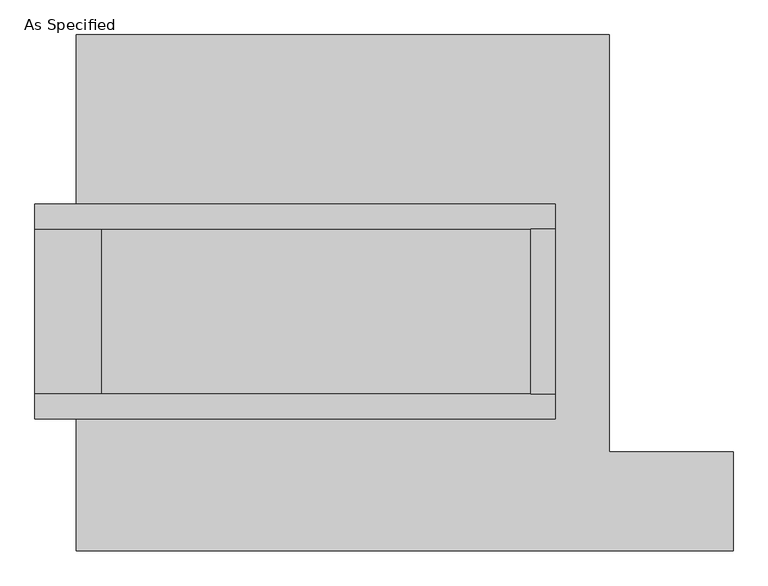
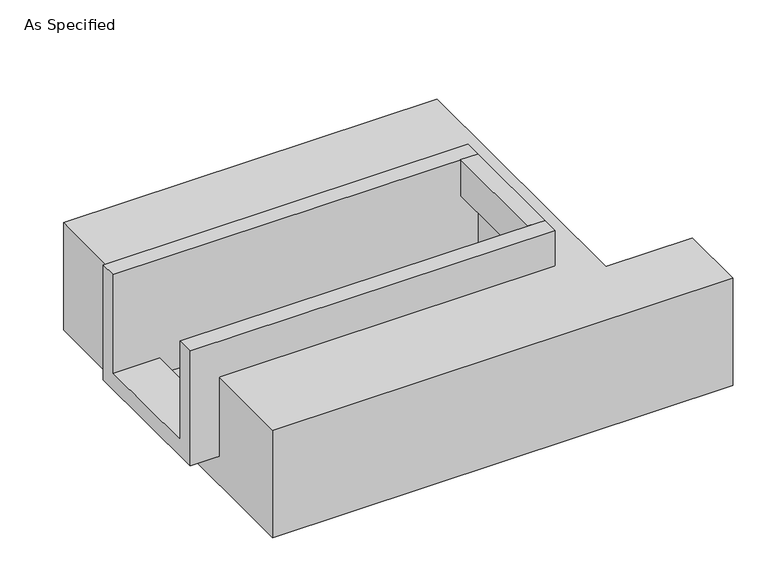
"""IFC4 building model written with IfcOpenShell, lengths in millimetres: proxy geometry, As Specified."""

from ifc_helpers import new_model, si_unit, frame, origin, place, context, project, spatial, polyline, outline, extrude, faceted_brep, source, transform, mapped, element, save


def as_specified_be154999(model_context):
    return source(origin(), model_context, "Body", "SolidModel", [
        extrude(outline(polyline([(577.85, 196.85), (654.05, 196.85), (654.05, -311.15), (577.85, -311.15), (577.85, 196.85)])), frame((0.0, 0.0, -25.4), z_axis=(0.0, 0.0, 1.0), x_axis=(1.0, 0.0, 0.0)), (0.0, 0.0, 1.0), 165.1),
        faceted_brep([(654.05, 196.85, 139.7), (654.05, 196.85, -317.5), (654.05, -311.15, -317.5), (654.05, -311.15, 139.7), (654.05, -387.35, 139.7), (654.05, -387.35, -393.7), (654.05, 273.05, -393.7), (654.05, 273.05, 139.7), (-946.15, 196.85, 139.7), (-946.15, 273.05, 139.7), (-946.15, 273.05, -393.7), (-946.15, -387.35, -393.7), (-946.15, -387.35, 139.7), (-946.15, -311.15, 139.7), (-946.15, -311.15, -317.5), (-946.15, 196.85, -317.5), (-742.95, 196.85, -393.7), (-742.95, -311.15, -393.7), (577.85, -311.15, -393.7), (577.85, 196.85, -393.7), (577.85, -311.15, -317.5), (-742.95, -311.15, -317.5), (577.85, 196.85, -317.5), (-742.95, 196.85, -317.5)], [[[0, 1, 2, 3, 4, 5, 6, 7]], [[8, 9, 10, 11, 12, 13, 14, 15]], [[0, 7, 9, 8]], [[7, 6, 10, 9]], [[6, 5, 11, 10], [16, 17, 18, 19]], [[4, 3, 13, 12]], [[3, 2, 20, 18, 17, 21, 14, 13]], [[2, 1, 22, 20]], [[15, 14, 21, 23]], [[1, 0, 8, 15, 23, 16, 19, 22]], [[21, 17, 16, 23]], [[18, 20, 22, 19]], [[5, 4, 12, 11]]]),
        faceted_brep([(-819.15, 793.75, -523.9742188), (819.15, 793.75, -523.9742188), (819.15, -488.95, -523.9742188), (1200.15, -488.95, -523.9742188), (1200.15, -793.75, -523.9742188), (-819.15, -793.75, -523.9742188), (819.15, 793.75, -25.4), (-819.15, 793.75, -25.4), (-819.15, 273.05, -25.4), (654.05, 273.05, -25.4), (654.05, -387.35, -25.4), (-819.15, -387.35, -25.4), (-819.15, -793.75, -25.4), (1200.15, -793.75, -25.4), (1200.15, -488.95, -25.4), (819.15, -488.95, -25.4), (-819.15, -387.35, -393.7), (-819.15, 273.05, -393.7), (654.05, 273.05, -393.7), (654.05, -387.35, -393.7)], [[[0, 1, 2, 3, 4, 5]], [[6, 7, 8, 9, 10, 11, 12, 13, 14, 15]], [[1, 0, 7, 6]], [[7, 0, 5, 12, 11, 16, 17, 8]], [[1, 6, 15, 2]], [[5, 4, 13, 12]], [[18, 19, 10, 9]], [[17, 18, 9, 8]], [[19, 18, 17, 16]], [[19, 16, 11, 10]], [[4, 3, 14, 13]], [[3, 2, 15, 14]]]),
    ])


if __name__ == "__main__":
    model = new_model("IFC4")
    model_context = context("Model", 3, world=origin())
    ifc_project = project(units=[si_unit("LENGTHUNIT", "METRE", prefix="MILLI")], contexts=[model_context])
    site = spatial("IfcSite", under=ifc_project)
    building = spatial("IfcBuilding", under=site)
    placement = place(None, origin())
    as_specified_shape = as_specified_be154999(model_context)
    element("IfcBuildingElementProxy", 1, Name="As Specified", ObjectType="As Specified", at=placement, inside=building, context=model_context, shape_type="MappedRepresentation", body=[
        mapped(as_specified_shape, transform((0.0, 0.0, 0.0), x_axis=(1.0, 0.0, 0.0), y_axis=(0.0, 1.0, 0.0), z_axis=(0.0, 0.0, 1.0))),
    ])
    save(model, "model.ifc")
